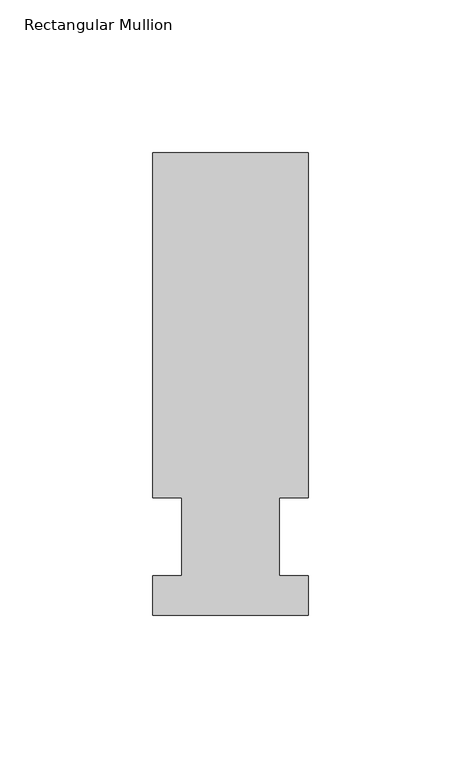
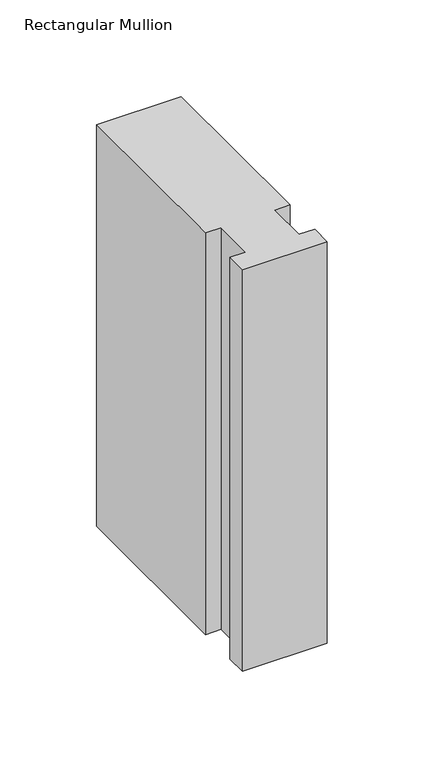
"""IFC4 building model written with IfcOpenShell, lengths in millimetres: member geometry, Rectangular Mullion."""

from ifc_helpers import new_model, si_unit, frame, origin, place, context, project, spatial, polyline, outline, extrude, source, transform, mapped, element, save


def rectangular_mullion_a36512f8(model_context):
    return source(origin(), model_context, "Body", "SweptSolid", [
        extrude(outline(polyline([(-25.4, -25.58415), (-25.4, -12.7), (-15.875, -12.7), (-15.875, 12.7), (-25.4, 12.7), (-25.4, 125.59665), (25.4, 125.59665), (25.4, 12.7), (15.875, 12.7), (15.875, -12.7), (25.4, -12.7), (25.4, -25.58415), (-25.4, -25.58415)])), frame((0.0, 0.0, -254.0), z_axis=(0.0, 0.0, 1.0), x_axis=(1.0, 0.0, 0.0)), (0.0, 0.0, 1.0), 254.0),
    ])


if __name__ == "__main__":
    model = new_model("IFC4")
    model_context = context("Model", 3, world=origin())
    ifc_project = project(units=[si_unit("LENGTHUNIT", "METRE", prefix="MILLI")], contexts=[model_context])
    site = spatial("IfcSite", under=ifc_project)
    building = spatial("IfcBuilding", under=site)
    placement = place(None, origin())
    rectangular_mullion_shape = rectangular_mullion_a36512f8(model_context)
    element("IfcMember", 1, ObjectType="Rectangular Mullion", at=placement, inside=building, context=model_context, shape_type="MappedRepresentation", body=[
        mapped(rectangular_mullion_shape, transform((0.0, 0.0, 0.0), x_axis=(1.0, 0.0, 0.0), y_axis=(0.0, 1.0, 0.0), z_axis=(0.0, 0.0, 1.0))),
    ])
    save(model, "model.ifc")
